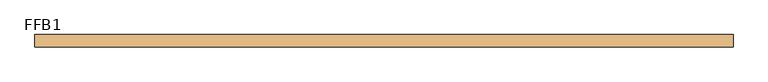
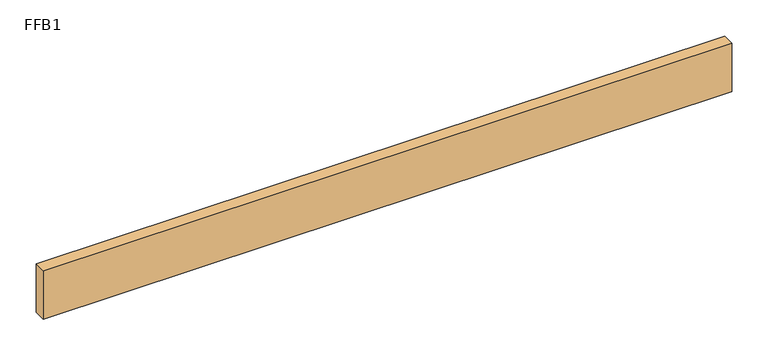
"""IFC4 building model written with IfcOpenShell, lengths in millimetres: door geometry, FFB1."""

from ifc_helpers import new_model, si_unit, origin, origin_with_axes, place, context, project, spatial, polyline, outline, extrude, source, transform, mapped, element, save


def ffb1_805d63eb(model_context):
    return source(origin(), model_context, "Body", "SweptSolid", [
        extrude(outline(polyline([(546.1, 0.0), (546.1, -19.05), (-546.1, -19.05), (-546.1, 0.0), (546.1, 0.0)])), origin_with_axes(), (0.0, 0.0, 1.0), 81.28),
    ])


if __name__ == "__main__":
    model = new_model("IFC4")
    model_context = context("Model", 3, world=origin())
    ifc_project = project(units=[si_unit("LENGTHUNIT", "METRE", prefix="MILLI")], contexts=[model_context])
    site = spatial("IfcSite", under=ifc_project)
    building = spatial("IfcBuilding", under=site)
    placement = place(None, origin())
    ffb1_shape = ffb1_805d63eb(model_context)
    element("IfcDoor", 1, ObjectType="FFB1", at=placement, inside=building, context=model_context, shape_type="MappedRepresentation", body=[
        mapped(ffb1_shape, transform((0.0, 0.0, 0.0), x_axis=(1.0, 0.0, 0.0), y_axis=(0.0, 1.0, 0.0), z_axis=(0.0, 0.0, 1.0))),
    ])
    save(model, "model.ifc")
